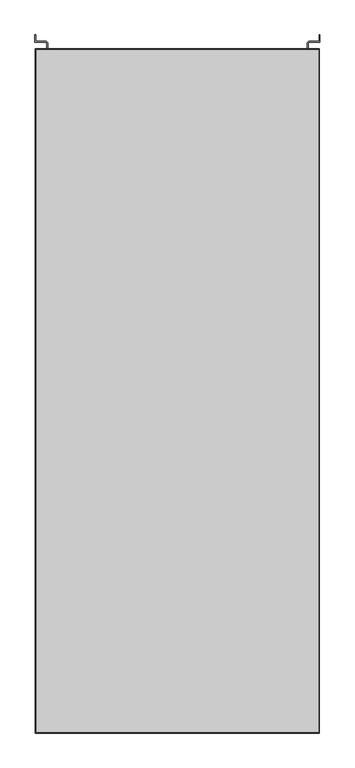
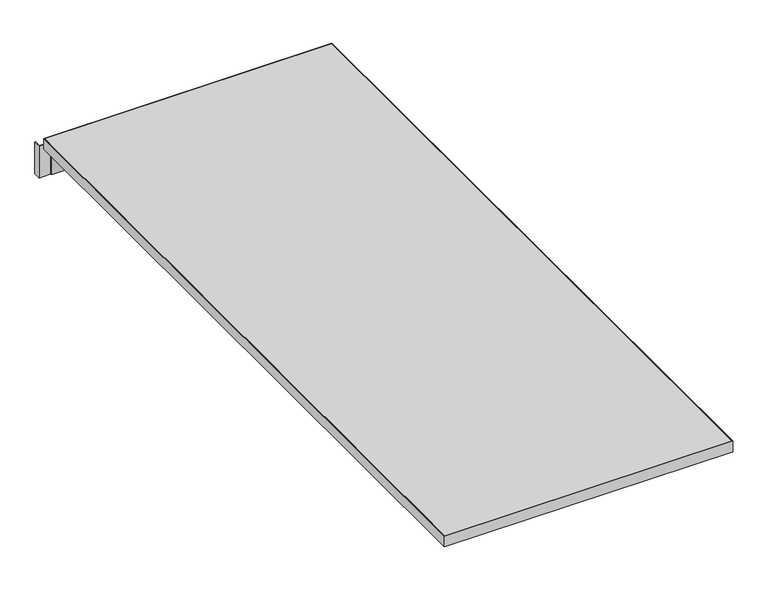
"""IFC4 building model written with IfcOpenShell, lengths in millimetres: furniture geometry."""

from ifc_helpers import new_model, si_unit, frame, origin, place, context, project, spatial, polyline, outline, extrude, faceted_brep, source, transform, mapped, element, save


def furniture_4e8b00ed(model_context):
    return source(origin(), model_context, "Body", "SolidModel", [
        faceted_brep([(-232.5085985, 208.9646437, 671.5252), (-232.5085985, 278.3066437, 616.0262), (-232.5085985, 278.3066437, 704.9262), (-232.5085985, 260.0186437, 704.9262), (-232.5085985, 260.0186437, 707.009), (-232.5085985, 208.9646437, 707.009), (-234.5405985, 278.3066437, 616.0262), (-234.5405985, 208.9646437, 671.5252), (-234.5405985, 208.9646437, 704.9262), (-234.5405985, 260.0186437, 704.9262), (-234.5405985, 278.3066437, 704.9262), (-283.3085985, 208.9646437, 707.009), (-283.3085985, 208.9646437, 704.9262), (-202.7905985, 282.3706437, 704.9262), (-230.4765985, 282.3706437, 704.9262), (-230.4765985, 280.3386437, 704.9262), (-200.7585985, 280.3386437, 704.9262), (-200.7585985, 299.3886437, 704.9262), (-202.7905985, 299.3886437, 704.9262), (-202.7905985, 282.3706437, 616.0262), (-202.7905985, 299.3886437, 616.0262), (-200.7585985, 299.3886437, 616.0262), (-200.7585985, 280.3386437, 616.0262), (-230.4765985, 280.3386437, 616.0262), (-230.4765985, 282.3706437, 616.0262), (-283.3085985, 260.0186437, 704.9262), (-283.3085985, 260.0186437, 707.009)], [[[0, 1, 2, 3, 4, 5]], [[6, 7, 8, 9, 10]], [[0, 5, 11, 12, 8, 7]], [[13, 14, 10, 9, 3, 2, 15, 16, 17, 18]], [[1, 0, 7, 6]], [[19, 20, 21, 22, 23, 1, 6, 24]], [[20, 19, 13, 18]], [[21, 20, 18, 17]], [[22, 21, 17, 16]], [[23, 22, 16, 15]], [[19, 24, 14, 13]], [[24, 6, 10, 14]], [[1, 23, 15, 2]], [[12, 25, 9, 8]], [[26, 11, 5, 4]], [[26, 4, 3, 9, 25]], [[25, 12, 11, 26]]]),
        faceted_brep([(-880.2085985, 260.0186437, 704.9262), (-880.2085985, 208.9646437, 704.9262), (-928.9765985, 208.9646437, 704.9262), (-928.9765985, 260.0186437, 704.9262), (-880.2085985, 260.0186437, 707.009), (-931.0085985, 260.0186437, 707.009), (-931.0085985, 208.9646437, 707.009), (-880.2085985, 208.9646437, 707.009), (-931.0085985, 260.0186437, 704.9262), (-931.0085985, 278.3066437, 704.9262), (-931.0085985, 278.3066437, 616.0262), (-931.0085985, 208.9646437, 671.5252), (-928.9765985, 208.9646437, 671.5252), (-928.9765985, 278.3066437, 616.0262), (-928.9765985, 278.3066437, 704.9262), (-933.0405985, 282.3706437, 704.9262), (-960.7265985, 282.3706437, 704.9262), (-960.7265985, 299.3886437, 704.9262), (-962.7585985, 299.3886437, 704.9262), (-962.7585985, 280.3386437, 704.9262), (-933.0405985, 280.3386437, 704.9262), (-960.7265985, 282.3706437, 616.0262), (-933.0405985, 282.3706437, 616.0262), (-933.0405985, 280.3386437, 616.0262), (-962.7585985, 280.3386437, 616.0262), (-962.7585985, 299.3886437, 616.0262), (-960.7265985, 299.3886437, 616.0262)], [[[0, 1, 2, 3]], [[4, 5, 6, 7]], [[5, 4, 0, 3, 8]], [[6, 5, 8, 9, 10, 11]], [[7, 6, 11, 12, 2, 1]], [[1, 0, 4, 7]], [[2, 12, 13, 14, 3]], [[11, 10, 13, 12]], [[9, 8, 3, 14, 15, 16, 17, 18, 19, 20]], [[21, 22, 13, 10, 23, 24, 25, 26]], [[21, 26, 17, 16]], [[26, 25, 18, 17]], [[25, 24, 19, 18]], [[24, 23, 20, 19]], [[23, 10, 9, 20]], [[13, 22, 15, 14]], [[22, 21, 16, 15]]]),
        extrude(outline(polyline([(-203.8827985, 260.1964437), (-203.8827985, -1565.4031563), (-959.6343985, -1565.4031563), (-959.6343985, 260.1964437), (-203.8827985, 260.1964437)])), frame((0.0, 0.0, 707.009), z_axis=(0.0, 0.0, 1.0), x_axis=(1.0, 0.0, 0.0)), (0.0, 0.0, 1.0), 29.591),
        extrude(outline(polyline([(-961.2218985, -1566.9906563), (-961.2218985, 261.7839437), (-202.2952985, 261.7839437), (-202.2952985, -1566.9906563), (-961.2218985, -1566.9906563)]), holes=[polyline([(-203.8827985, -1565.4031563), (-203.8827985, 260.1964437), (-959.6343985, 260.1964437), (-959.6343985, -1565.4031563), (-203.8827985, -1565.4031563)])]), frame((0.0, 0.0, 707.009), z_axis=(0.0, 0.0, 1.0), x_axis=(1.0, 0.0, 0.0)), (0.0, 0.0, 1.0), 29.591),
    ])


if __name__ == "__main__":
    model = new_model("IFC4")
    model_context = context("Model", 3, world=origin())
    ifc_project = project(units=[si_unit("LENGTHUNIT", "METRE", prefix="MILLI")], contexts=[model_context])
    site = spatial("IfcSite", under=ifc_project)
    building = spatial("IfcBuilding", under=site)
    placement = place(None, origin())
    furniture_shape = furniture_4e8b00ed(model_context)
    element("IfcFurniture", 1, at=placement, inside=building, context=model_context, shape_type="MappedRepresentation", body=[
        mapped(furniture_shape, transform((0.0, 0.0, 0.0), x_axis=(1.0, 0.0, 0.0), y_axis=(0.0, 1.0, 0.0), z_axis=(0.0, 0.0, 1.0))),
    ])
    save(model, "model.ifc")
